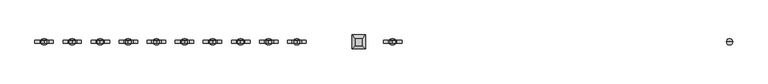
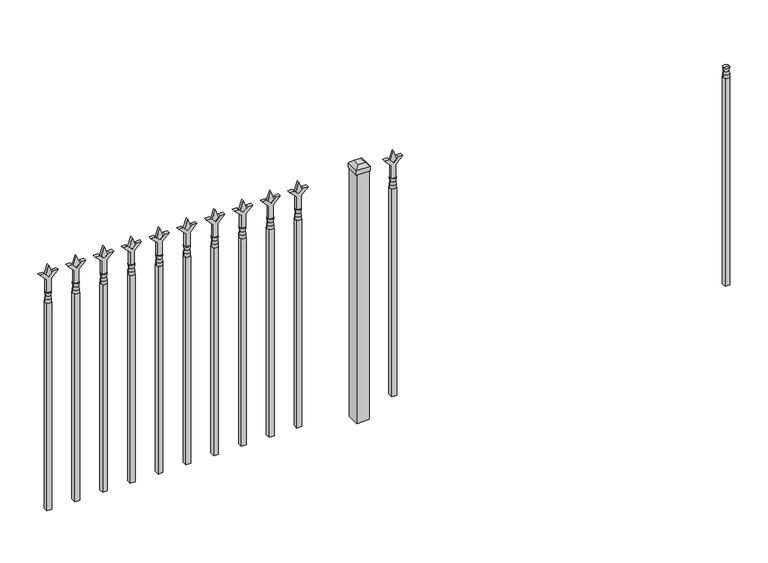
"""IFC4 building model written with IfcOpenShell, lengths in millimetres: railing geometry."""

from ifc_helpers import new_model, si_unit, frame, origin, origin_with_axes, place, context, project, spatial, polyline, circle_curve, outline, extrude, faceted_brep, source, transform, mapped, element, save
from ifc_brep_helpers import plane_surface, cylinder_surface, revolved_surface, advanced_brep


def railing_144b2645(model_context):
    return source(origin(), model_context, "Body", "SolidModel", [
        advanced_brep(
        [(-82699.574337, -635.2570174, 927.1), (-82723.386837, -635.2570174, 927.1), (-82723.386837, -635.2570174, 914.4), (-82699.574337, -635.2570174, 914.4), (-82701.7796688, -635.2570174, 939.6070585), (-82721.1815051, -635.2570174, 939.6070585), (-82699.574337, -635.2570174, 955.675), (-82723.386837, -635.2570174, 955.675), (-82711.480587, -635.2570174, 955.675), (-82711.480587, -635.2570174, 914.4)],
        [
            (0, 1, circle_curve(frame((-82711.480587, -635.2570174, 927.1), z_axis=(0.0, 0.0, -1.0), x_axis=(-1.0, 0.0, 0.0)), 11.90625)),
            (1, 2),
            (2, 3, circle_curve(frame((-82711.480587, -635.2570174, 914.4), z_axis=(0.0, 0.0, 1.0), x_axis=(-1.0, 0.0, 0.0)), 11.90625)),
            (3, 0),
            (1, 0, circle_curve(frame((-82711.480587, -635.2570174, 927.1), z_axis=(0.0, 0.0, -1.0), x_axis=(-1.0, 0.0, 0.0)), 11.90625)),
            (3, 2, circle_curve(frame((-82711.480587, -635.2570174, 914.4), z_axis=(0.0, 0.0, 1.0), x_axis=(-1.0, 0.0, 0.0)), 11.90625)),
            (4, 5, circle_curve(frame((-82711.480587, -635.2570174, 939.6070585), z_axis=(0.0, 0.0, -1.0), x_axis=(-1.0, 0.0, 0.0)), 9.7009181)),
            (5, 1),
            (0, 4),
            (5, 4, circle_curve(frame((-82711.480587, -635.2570174, 939.6070585), z_axis=(0.0, 0.0, -1.0), x_axis=(-1.0, 0.0, 0.0)), 9.7009181)),
            (6, 7, circle_curve(frame((-82711.480587, -635.2570174, 955.675), z_axis=(0.0, 0.0, -1.0), x_axis=(-1.0, 0.0, 0.0)), 11.90625)),
            (7, 5),
            (4, 6),
            (7, 6, circle_curve(frame((-82711.480587, -635.2570174, 955.675), z_axis=(0.0, 0.0, -1.0), x_axis=(-1.0, 0.0, 0.0)), 11.90625)),
            (8, 7),
            (6, 8),
            (2, 9),
            (9, 3),
        ],
        [
            cylinder_surface(frame((-82711.480587, -635.2570174, 914.4), z_axis=(0.0, 0.0, 1.0), x_axis=(-1.0, 0.0, 0.0)), 11.90625),
            revolved_surface(polyline([(-82723.386837, -635.2570174, 927.1), (-82721.1815051, -635.2570174, 939.6070585)]), (-82711.480587, -635.2570174, 914.4), (0.0, 0.0, 1.0)),
            revolved_surface(polyline([(-82721.1815051, -635.2570174, 939.6070585), (-82723.386837, -635.2570174, 955.675)]), (-82711.480587, -635.2570174, 914.4), (0.0, 0.0, 1.0)),
            plane_surface(frame((-82711.480587, -635.2570174, 955.675), z_axis=(0.0, 0.0, 1.0), x_axis=(-1.0, 0.0, 0.0))),
            plane_surface(frame((-82711.480587, -635.2570174, 914.4), z_axis=(0.0, 0.0, -1.0), x_axis=(-1.0, 0.0, 0.0))),
        ],
        [
            (0, [[1, 2, 3, 4]]),
            (0, [[5, -4, 6, -2]]),
            (1, [[7, 8, -1, 9]]),
            (1, [[10, -9, -5, -8]]),
            (2, [[11, 12, -7, 13]]),
            (2, [[14, -13, -10, -12]]),
            (3, [[15, -11, 16]]),
            (3, [[-16, -14, -15]]),
            (4, [[-3, 17, 18]]),
            (4, [[-6, -18, -17]]),
        ],
    ),
        extrude(outline(polyline([(-82721.005587, -625.7320174), (-82701.955587, -625.7320174), (-82701.955587, -644.7820174), (-82721.005587, -644.7820174), (-82721.005587, -625.7320174)])), frame((0.0, 0.0, 50.8), z_axis=(0.0, 0.0, 1.0), x_axis=(1.0, 0.0, 0.0)), (0.0, 0.0, 1.0), 863.6),
        extrude(outline(polyline([(1031.08125, -84010.849337), (1066.8, -84022.755587), (1031.08125, -84034.661837), (1019.175, -84022.755587), (1031.08125, -84010.849337)])), frame((0.0, -640.0195174, 0.0), z_axis=(0.0, 1.0, 0.0), x_axis=(0.0, 0.0, 1.0)), (0.0, 0.0, 1.0), 9.525),
        extrude(outline(polyline([(955.675, -84014.024337), (1009.9457378, -84014.024337), (1037.1355122, -83986.8345625), (1037.1355122, -84004.7950747), (1019.175, -84022.755587), (1037.1355122, -84040.7160992), (1037.1355122, -84058.6766114), (1009.9457378, -84031.486837), (955.675, -84031.486837), (955.675, -84014.024337)])), frame((0.0, -641.6070174, 0.0), z_axis=(0.0, 1.0, 0.0), x_axis=(0.0, 0.0, 1.0)), (0.0, 0.0, 1.0), 12.7),
        advanced_brep(
        [(-84010.849337, -635.2570174, 927.1), (-84034.661837, -635.2570174, 927.1), (-84034.661837, -635.2570174, 914.4), (-84010.849337, -635.2570174, 914.4), (-84013.0546688, -635.2570174, 939.6070585), (-84032.4565051, -635.2570174, 939.6070585), (-84010.849337, -635.2570174, 955.675), (-84034.661837, -635.2570174, 955.675), (-84022.755587, -635.2570174, 955.675), (-84022.755587, -635.2570174, 914.4)],
        [
            (0, 1, circle_curve(frame((-84022.755587, -635.2570174, 927.1), z_axis=(0.0, 0.0, -1.0), x_axis=(-1.0, 0.0, 0.0)), 11.90625)),
            (1, 2),
            (2, 3, circle_curve(frame((-84022.755587, -635.2570174, 914.4), z_axis=(0.0, 0.0, 1.0), x_axis=(-1.0, 0.0, 0.0)), 11.90625)),
            (3, 0),
            (1, 0, circle_curve(frame((-84022.755587, -635.2570174, 927.1), z_axis=(0.0, 0.0, -1.0), x_axis=(-1.0, 0.0, 0.0)), 11.90625)),
            (3, 2, circle_curve(frame((-84022.755587, -635.2570174, 914.4), z_axis=(0.0, 0.0, 1.0), x_axis=(-1.0, 0.0, 0.0)), 11.90625)),
            (4, 5, circle_curve(frame((-84022.755587, -635.2570174, 939.6070585), z_axis=(0.0, 0.0, -1.0), x_axis=(-1.0, 0.0, 0.0)), 9.7009181)),
            (5, 1),
            (0, 4),
            (5, 4, circle_curve(frame((-84022.755587, -635.2570174, 939.6070585), z_axis=(0.0, 0.0, -1.0), x_axis=(-1.0, 0.0, 0.0)), 9.7009181)),
            (6, 7, circle_curve(frame((-84022.755587, -635.2570174, 955.675), z_axis=(0.0, 0.0, -1.0), x_axis=(-1.0, 0.0, 0.0)), 11.90625)),
            (7, 5),
            (4, 6),
            (7, 6, circle_curve(frame((-84022.755587, -635.2570174, 955.675), z_axis=(0.0, 0.0, -1.0), x_axis=(-1.0, 0.0, 0.0)), 11.90625)),
            (8, 7),
            (6, 8),
            (2, 9),
            (9, 3),
        ],
        [
            cylinder_surface(frame((-84022.755587, -635.2570174, 914.4), z_axis=(0.0, 0.0, 1.0), x_axis=(-1.0, 0.0, 0.0)), 11.90625),
            revolved_surface(polyline([(-84034.661837, -635.2570174, 927.1), (-84032.4565051, -635.2570174, 939.6070585)]), (-84022.755587, -635.2570174, 914.4), (0.0, 0.0, 1.0)),
            revolved_surface(polyline([(-84032.4565051, -635.2570174, 939.6070585), (-84034.661837, -635.2570174, 955.675)]), (-84022.755587, -635.2570174, 914.4), (0.0, 0.0, 1.0)),
            plane_surface(frame((-84022.755587, -635.2570174, 955.675), z_axis=(0.0, 0.0, 1.0), x_axis=(-1.0, 0.0, 0.0))),
            plane_surface(frame((-84022.755587, -635.2570174, 914.4), z_axis=(0.0, 0.0, -1.0), x_axis=(-1.0, 0.0, 0.0))),
        ],
        [
            (0, [[1, 2, 3, 4]]),
            (0, [[5, -4, 6, -2]]),
            (1, [[7, 8, -1, 9]]),
            (1, [[10, -9, -5, -8]]),
            (2, [[11, 12, -7, 13]]),
            (2, [[14, -13, -10, -12]]),
            (3, [[15, -11, 16]]),
            (3, [[-16, -14, -15]]),
            (4, [[-3, 17, 18]]),
            (4, [[-6, -18, -17]]),
        ],
    ),
        extrude(outline(polyline([(-84032.280587, -625.7320174), (-84013.230587, -625.7320174), (-84013.230587, -644.7820174), (-84032.280587, -644.7820174), (-84032.280587, -625.7320174)])), frame((0.0, 0.0, 50.8), z_axis=(0.0, 0.0, 1.0), x_axis=(1.0, 0.0, 0.0)), (0.0, 0.0, 1.0), 863.6),
        faceted_brep([(-84181.505587, -608.2695174, 1054.1), (-84181.505587, -608.2695174, 1035.05), (-84181.505587, -662.2445174, 1035.05), (-84181.505587, -662.2445174, 1054.1), (-84168.805587, -620.9695174, 1066.8), (-84168.805587, -649.5445174, 1066.8), (-84127.530587, -662.2445174, 1035.05), (-84127.530587, -662.2445174, 1054.1), (-84140.230587, -649.5445174, 1066.8), (-84127.530587, -608.2695174, 1035.05), (-84127.530587, -608.2695174, 1054.1), (-84140.230587, -620.9695174, 1066.8)], [[[0, 1, 2, 3]], [[4, 0, 3, 5]], [[3, 2, 6, 7]], [[5, 3, 7, 8]], [[7, 6, 9, 10]], [[8, 7, 10, 11]], [[10, 9, 1, 0]], [[11, 10, 0, 4]], [[5, 8, 11, 4]], [[1, 9, 6, 2]]]),
        extrude(outline(polyline([(-84129.118087, -609.8570174), (-84129.118087, -660.6570174), (-84179.918087, -660.6570174), (-84179.918087, -609.8570174), (-84129.118087, -609.8570174)])), origin_with_axes(), (0.0, 0.0, 1.0), 1035.05),
        extrude(outline(polyline([(1031.08125, -84383.6472536), (1066.8, -84395.5535036), (1031.08125, -84407.4597536), (1019.175, -84395.5535036), (1031.08125, -84383.6472536)])), frame((0.0, -640.0195174, 0.0), z_axis=(0.0, 1.0, 0.0), x_axis=(0.0, 0.0, 1.0)), (0.0, 0.0, 1.0), 9.525),
        extrude(outline(polyline([(955.675, -84386.8222536), (1009.9457378, -84386.8222536), (1037.1355122, -84359.6324791), (1037.1355122, -84377.5929914), (1019.175, -84395.5535036), (1037.1355122, -84413.5140159), (1037.1355122, -84431.4745281), (1009.9457378, -84404.2847536), (955.675, -84404.2847536), (955.675, -84386.8222536)])), frame((0.0, -641.6070174, 0.0), z_axis=(0.0, 1.0, 0.0), x_axis=(0.0, 0.0, 1.0)), (0.0, 0.0, 1.0), 12.7),
        advanced_brep(
        [(-84383.6472536, -635.2570174, 927.1), (-84407.4597536, -635.2570174, 927.1), (-84407.4597536, -635.2570174, 914.4), (-84383.6472536, -635.2570174, 914.4), (-84385.8525855, -635.2570174, 939.6070585), (-84405.2544218, -635.2570174, 939.6070585), (-84383.6472536, -635.2570174, 955.675), (-84407.4597536, -635.2570174, 955.675), (-84395.5535036, -635.2570174, 955.675), (-84395.5535036, -635.2570174, 914.4)],
        [
            (0, 1, circle_curve(frame((-84395.5535036, -635.2570174, 927.1), z_axis=(0.0, 0.0, -1.0), x_axis=(-1.0, 0.0, 0.0)), 11.90625)),
            (1, 2),
            (2, 3, circle_curve(frame((-84395.5535036, -635.2570174, 914.4), z_axis=(0.0, 0.0, 1.0), x_axis=(-1.0, 0.0, 0.0)), 11.90625)),
            (3, 0),
            (1, 0, circle_curve(frame((-84395.5535036, -635.2570174, 927.1), z_axis=(0.0, 0.0, -1.0), x_axis=(-1.0, 0.0, 0.0)), 11.90625)),
            (3, 2, circle_curve(frame((-84395.5535036, -635.2570174, 914.4), z_axis=(0.0, 0.0, 1.0), x_axis=(-1.0, 0.0, 0.0)), 11.90625)),
            (4, 5, circle_curve(frame((-84395.5535036, -635.2570174, 939.6070585), z_axis=(0.0, 0.0, -1.0), x_axis=(-1.0, 0.0, 0.0)), 9.7009181)),
            (5, 1),
            (0, 4),
            (5, 4, circle_curve(frame((-84395.5535036, -635.2570174, 939.6070585), z_axis=(0.0, 0.0, -1.0), x_axis=(-1.0, 0.0, 0.0)), 9.7009181)),
            (6, 7, circle_curve(frame((-84395.5535036, -635.2570174, 955.675), z_axis=(0.0, 0.0, -1.0), x_axis=(-1.0, 0.0, 0.0)), 11.90625)),
            (7, 5),
            (4, 6),
            (7, 6, circle_curve(frame((-84395.5535036, -635.2570174, 955.675), z_axis=(0.0, 0.0, -1.0), x_axis=(-1.0, 0.0, 0.0)), 11.90625)),
            (8, 7),
            (6, 8),
            (2, 9),
            (9, 3),
        ],
        [
            cylinder_surface(frame((-84395.5535036, -635.2570174, 914.4), z_axis=(0.0, 0.0, 1.0), x_axis=(-1.0, 0.0, 0.0)), 11.90625),
            revolved_surface(polyline([(-84407.4597536, -635.2570174, 927.1), (-84405.2544218, -635.2570174, 939.6070585)]), (-84395.5535036, -635.2570174, 914.4), (0.0, 0.0, 1.0)),
            revolved_surface(polyline([(-84405.2544218, -635.2570174, 939.6070585), (-84407.4597536, -635.2570174, 955.675)]), (-84395.5535036, -635.2570174, 914.4), (0.0, 0.0, 1.0)),
            plane_surface(frame((-84395.5535036, -635.2570174, 955.675), z_axis=(0.0, 0.0, 1.0), x_axis=(-1.0, 0.0, 0.0))),
            plane_surface(frame((-84395.5535036, -635.2570174, 914.4), z_axis=(0.0, 0.0, -1.0), x_axis=(-1.0, 0.0, 0.0))),
        ],
        [
            (0, [[1, 2, 3, 4]]),
            (0, [[5, -4, 6, -2]]),
            (1, [[7, 8, -1, 9]]),
            (1, [[10, -9, -5, -8]]),
            (2, [[11, 12, -7, 13]]),
            (2, [[14, -13, -10, -12]]),
            (3, [[15, -11, 16]]),
            (3, [[-16, -14, -15]]),
            (4, [[-3, 17, 18]]),
            (4, [[-6, -18, -17]]),
        ],
    ),
        extrude(outline(polyline([(-84405.0785036, -625.7320174), (-84386.0285036, -625.7320174), (-84386.0285036, -644.7820174), (-84405.0785036, -644.7820174), (-84405.0785036, -625.7320174)])), frame((0.0, 0.0, 50.8), z_axis=(0.0, 0.0, 1.0), x_axis=(1.0, 0.0, 0.0)), (0.0, 0.0, 1.0), 863.6),
        extrude(outline(polyline([(1031.08125, -84492.9201703), (1066.8, -84504.8264203), (1031.08125, -84516.7326703), (1019.175, -84504.8264203), (1031.08125, -84492.9201703)])), frame((0.0, -640.0195174, 0.0), z_axis=(0.0, 1.0, 0.0), x_axis=(0.0, 0.0, 1.0)), (0.0, 0.0, 1.0), 9.525),
        extrude(outline(polyline([(955.675, -84496.0951703), (1009.9457378, -84496.0951703), (1037.1355122, -84468.9053958), (1037.1355122, -84486.8659081), (1019.175, -84504.8264203), (1037.1355122, -84522.7869325), (1037.1355122, -84540.7474448), (1009.9457378, -84513.5576703), (955.675, -84513.5576703), (955.675, -84496.0951703)])), frame((0.0, -641.6070174, 0.0), z_axis=(0.0, 1.0, 0.0), x_axis=(0.0, 0.0, 1.0)), (0.0, 0.0, 1.0), 12.7),
        advanced_brep(
        [(-84492.9201703, -635.2570174, 927.1), (-84516.7326703, -635.2570174, 927.1), (-84516.7326703, -635.2570174, 914.4), (-84492.9201703, -635.2570174, 914.4), (-84495.1255022, -635.2570174, 939.6070585), (-84514.5273384, -635.2570174, 939.6070585), (-84492.9201703, -635.2570174, 955.675), (-84516.7326703, -635.2570174, 955.675), (-84504.8264203, -635.2570174, 955.675), (-84504.8264203, -635.2570174, 914.4)],
        [
            (0, 1, circle_curve(frame((-84504.8264203, -635.2570174, 927.1), z_axis=(0.0, 0.0, -1.0), x_axis=(-1.0, 0.0, 0.0)), 11.90625)),
            (1, 2),
            (2, 3, circle_curve(frame((-84504.8264203, -635.2570174, 914.4), z_axis=(0.0, 0.0, 1.0), x_axis=(-1.0, 0.0, 0.0)), 11.90625)),
            (3, 0),
            (1, 0, circle_curve(frame((-84504.8264203, -635.2570174, 927.1), z_axis=(0.0, 0.0, -1.0), x_axis=(-1.0, 0.0, 0.0)), 11.90625)),
            (3, 2, circle_curve(frame((-84504.8264203, -635.2570174, 914.4), z_axis=(0.0, 0.0, 1.0), x_axis=(-1.0, 0.0, 0.0)), 11.90625)),
            (4, 5, circle_curve(frame((-84504.8264203, -635.2570174, 939.6070585), z_axis=(0.0, 0.0, -1.0), x_axis=(-1.0, 0.0, 0.0)), 9.7009181)),
            (5, 1),
            (0, 4),
            (5, 4, circle_curve(frame((-84504.8264203, -635.2570174, 939.6070585), z_axis=(0.0, 0.0, -1.0), x_axis=(-1.0, 0.0, 0.0)), 9.7009181)),
            (6, 7, circle_curve(frame((-84504.8264203, -635.2570174, 955.675), z_axis=(0.0, 0.0, -1.0), x_axis=(-1.0, 0.0, 0.0)), 11.90625)),
            (7, 5),
            (4, 6),
            (7, 6, circle_curve(frame((-84504.8264203, -635.2570174, 955.675), z_axis=(0.0, 0.0, -1.0), x_axis=(-1.0, 0.0, 0.0)), 11.90625)),
            (8, 7),
            (6, 8),
            (2, 9),
            (9, 3),
        ],
        [
            cylinder_surface(frame((-84504.8264203, -635.2570174, 914.4), z_axis=(0.0, 0.0, 1.0), x_axis=(-1.0, 0.0, 0.0)), 11.90625),
            revolved_surface(polyline([(-84516.7326703, -635.2570174, 927.1), (-84514.5273384, -635.2570174, 939.6070585)]), (-84504.8264203, -635.2570174, 914.4), (0.0, 0.0, 1.0)),
            revolved_surface(polyline([(-84514.5273384, -635.2570174, 939.6070585), (-84516.7326703, -635.2570174, 955.675)]), (-84504.8264203, -635.2570174, 914.4), (0.0, 0.0, 1.0)),
            plane_surface(frame((-84504.8264203, -635.2570174, 955.675), z_axis=(0.0, 0.0, 1.0), x_axis=(-1.0, 0.0, 0.0))),
            plane_surface(frame((-84504.8264203, -635.2570174, 914.4), z_axis=(0.0, 0.0, -1.0), x_axis=(-1.0, 0.0, 0.0))),
        ],
        [
            (0, [[1, 2, 3, 4]]),
            (0, [[5, -4, 6, -2]]),
            (1, [[7, 8, -1, 9]]),
            (1, [[10, -9, -5, -8]]),
            (2, [[11, 12, -7, 13]]),
            (2, [[14, -13, -10, -12]]),
            (3, [[15, -11, 16]]),
            (3, [[-16, -14, -15]]),
            (4, [[-3, 17, 18]]),
            (4, [[-6, -18, -17]]),
        ],
    ),
        extrude(outline(polyline([(-84514.3514203, -625.7320174), (-84495.3014203, -625.7320174), (-84495.3014203, -644.7820174), (-84514.3514203, -644.7820174), (-84514.3514203, -625.7320174)])), frame((0.0, 0.0, 50.8), z_axis=(0.0, 0.0, 1.0), x_axis=(1.0, 0.0, 0.0)), (0.0, 0.0, 1.0), 863.6),
        extrude(outline(polyline([(1031.08125, -84602.193087), (1066.8, -84614.099337), (1031.08125, -84626.005587), (1019.175, -84614.099337), (1031.08125, -84602.193087)])), frame((0.0, -640.0195174, 0.0), z_axis=(0.0, 1.0, 0.0), x_axis=(0.0, 0.0, 1.0)), (0.0, 0.0, 1.0), 9.525),
        extrude(outline(polyline([(955.675, -84605.368087), (1009.9457378, -84605.368087), (1037.1355122, -84578.1783125), (1037.1355122, -84596.1388247), (1019.175, -84614.099337), (1037.1355122, -84632.0598492), (1037.1355122, -84650.0203614), (1009.9457378, -84622.830587), (955.675, -84622.830587), (955.675, -84605.368087)])), frame((0.0, -641.6070174, 0.0), z_axis=(0.0, 1.0, 0.0), x_axis=(0.0, 0.0, 1.0)), (0.0, 0.0, 1.0), 12.7),
        advanced_brep(
        [(-84602.193087, -635.2570174, 927.1), (-84626.005587, -635.2570174, 927.1), (-84626.005587, -635.2570174, 914.4), (-84602.193087, -635.2570174, 914.4), (-84604.3984188, -635.2570174, 939.6070585), (-84623.8002551, -635.2570174, 939.6070585), (-84602.193087, -635.2570174, 955.675), (-84626.005587, -635.2570174, 955.675), (-84614.099337, -635.2570174, 955.675), (-84614.099337, -635.2570174, 914.4)],
        [
            (0, 1, circle_curve(frame((-84614.099337, -635.2570174, 927.1), z_axis=(0.0, 0.0, -1.0), x_axis=(-1.0, 0.0, 0.0)), 11.90625)),
            (1, 2),
            (2, 3, circle_curve(frame((-84614.099337, -635.2570174, 914.4), z_axis=(0.0, 0.0, 1.0), x_axis=(-1.0, 0.0, 0.0)), 11.90625)),
            (3, 0),
            (1, 0, circle_curve(frame((-84614.099337, -635.2570174, 927.1), z_axis=(0.0, 0.0, -1.0), x_axis=(-1.0, 0.0, 0.0)), 11.90625)),
            (3, 2, circle_curve(frame((-84614.099337, -635.2570174, 914.4), z_axis=(0.0, 0.0, 1.0), x_axis=(-1.0, 0.0, 0.0)), 11.90625)),
            (4, 5, circle_curve(frame((-84614.099337, -635.2570174, 939.6070585), z_axis=(0.0, 0.0, -1.0), x_axis=(-1.0, 0.0, 0.0)), 9.7009181)),
            (5, 1),
            (0, 4),
            (5, 4, circle_curve(frame((-84614.099337, -635.2570174, 939.6070585), z_axis=(0.0, 0.0, -1.0), x_axis=(-1.0, 0.0, 0.0)), 9.7009181)),
            (6, 7, circle_curve(frame((-84614.099337, -635.2570174, 955.675), z_axis=(0.0, 0.0, -1.0), x_axis=(-1.0, 0.0, 0.0)), 11.90625)),
            (7, 5),
            (4, 6),
            (7, 6, circle_curve(frame((-84614.099337, -635.2570174, 955.675), z_axis=(0.0, 0.0, -1.0), x_axis=(-1.0, 0.0, 0.0)), 11.90625)),
            (8, 7),
            (6, 8),
            (2, 9),
            (9, 3),
        ],
        [
            cylinder_surface(frame((-84614.099337, -635.2570174, 914.4), z_axis=(0.0, 0.0, 1.0), x_axis=(-1.0, 0.0, 0.0)), 11.90625),
            revolved_surface(polyline([(-84626.005587, -635.2570174, 927.1), (-84623.8002551, -635.2570174, 939.6070585)]), (-84614.099337, -635.2570174, 914.4), (0.0, 0.0, 1.0)),
            revolved_surface(polyline([(-84623.8002551, -635.2570174, 939.6070585), (-84626.005587, -635.2570174, 955.675)]), (-84614.099337, -635.2570174, 914.4), (0.0, 0.0, 1.0)),
            plane_surface(frame((-84614.099337, -635.2570174, 955.675), z_axis=(0.0, 0.0, 1.0), x_axis=(-1.0, 0.0, 0.0))),
            plane_surface(frame((-84614.099337, -635.2570174, 914.4), z_axis=(0.0, 0.0, -1.0), x_axis=(-1.0, 0.0, 0.0))),
        ],
        [
            (0, [[1, 2, 3, 4]]),
            (0, [[5, -4, 6, -2]]),
            (1, [[7, 8, -1, 9]]),
            (1, [[10, -9, -5, -8]]),
            (2, [[11, 12, -7, 13]]),
            (2, [[14, -13, -10, -12]]),
            (3, [[15, -11, 16]]),
            (3, [[-16, -14, -15]]),
            (4, [[-3, 17, 18]]),
            (4, [[-6, -18, -17]]),
        ],
    ),
        extrude(outline(polyline([(-84623.624337, -625.7320174), (-84604.574337, -625.7320174), (-84604.574337, -644.7820174), (-84623.624337, -644.7820174), (-84623.624337, -625.7320174)])), frame((0.0, 0.0, 50.8), z_axis=(0.0, 0.0, 1.0), x_axis=(1.0, 0.0, 0.0)), (0.0, 0.0, 1.0), 863.6),
        extrude(outline(polyline([(1031.08125, -84711.4660036), (1066.8, -84723.3722536), (1031.08125, -84735.2785036), (1019.175, -84723.3722536), (1031.08125, -84711.4660036)])), frame((0.0, -640.0195174, 0.0), z_axis=(0.0, 1.0, 0.0), x_axis=(0.0, 0.0, 1.0)), (0.0, 0.0, 1.0), 9.525),
        extrude(outline(polyline([(955.675, -84714.6410036), (1009.9457378, -84714.6410036), (1037.1355122, -84687.4512291), (1037.1355122, -84705.4117414), (1019.175, -84723.3722536), (1037.1355122, -84741.3327659), (1037.1355122, -84759.2932781), (1009.9457378, -84732.1035036), (955.675, -84732.1035036), (955.675, -84714.6410036)])), frame((0.0, -641.6070174, 0.0), z_axis=(0.0, 1.0, 0.0), x_axis=(0.0, 0.0, 1.0)), (0.0, 0.0, 1.0), 12.7),
        advanced_brep(
        [(-84711.4660036, -635.2570174, 927.1), (-84735.2785036, -635.2570174, 927.1), (-84735.2785036, -635.2570174, 914.4), (-84711.4660036, -635.2570174, 914.4), (-84713.6713355, -635.2570174, 939.6070585), (-84733.0731718, -635.2570174, 939.6070585), (-84711.4660036, -635.2570174, 955.675), (-84735.2785036, -635.2570174, 955.675), (-84723.3722536, -635.2570174, 955.675), (-84723.3722536, -635.2570174, 914.4)],
        [
            (0, 1, circle_curve(frame((-84723.3722536, -635.2570174, 927.1), z_axis=(0.0, 0.0, -1.0), x_axis=(-1.0, 0.0, 0.0)), 11.90625)),
            (1, 2),
            (2, 3, circle_curve(frame((-84723.3722536, -635.2570174, 914.4), z_axis=(0.0, 0.0, 1.0), x_axis=(-1.0, 0.0, 0.0)), 11.90625)),
            (3, 0),
            (1, 0, circle_curve(frame((-84723.3722536, -635.2570174, 927.1), z_axis=(0.0, 0.0, -1.0), x_axis=(-1.0, 0.0, 0.0)), 11.90625)),
            (3, 2, circle_curve(frame((-84723.3722536, -635.2570174, 914.4), z_axis=(0.0, 0.0, 1.0), x_axis=(-1.0, 0.0, 0.0)), 11.90625)),
            (4, 5, circle_curve(frame((-84723.3722536, -635.2570174, 939.6070585), z_axis=(0.0, 0.0, -1.0), x_axis=(-1.0, 0.0, 0.0)), 9.7009181)),
            (5, 1),
            (0, 4),
            (5, 4, circle_curve(frame((-84723.3722536, -635.2570174, 939.6070585), z_axis=(0.0, 0.0, -1.0), x_axis=(-1.0, 0.0, 0.0)), 9.7009181)),
            (6, 7, circle_curve(frame((-84723.3722536, -635.2570174, 955.675), z_axis=(0.0, 0.0, -1.0), x_axis=(-1.0, 0.0, 0.0)), 11.90625)),
            (7, 5),
            (4, 6),
            (7, 6, circle_curve(frame((-84723.3722536, -635.2570174, 955.675), z_axis=(0.0, 0.0, -1.0), x_axis=(-1.0, 0.0, 0.0)), 11.90625)),
            (8, 7),
            (6, 8),
            (2, 9),
            (9, 3),
        ],
        [
            cylinder_surface(frame((-84723.3722536, -635.2570174, 914.4), z_axis=(0.0, 0.0, 1.0), x_axis=(-1.0, 0.0, 0.0)), 11.90625),
            revolved_surface(polyline([(-84735.2785036, -635.2570174, 927.1), (-84733.0731718, -635.2570174, 939.6070585)]), (-84723.3722536, -635.2570174, 914.4), (0.0, 0.0, 1.0)),
            revolved_surface(polyline([(-84733.0731718, -635.2570174, 939.6070585), (-84735.2785036, -635.2570174, 955.675)]), (-84723.3722536, -635.2570174, 914.4), (0.0, 0.0, 1.0)),
            plane_surface(frame((-84723.3722536, -635.2570174, 955.675), z_axis=(0.0, 0.0, 1.0), x_axis=(-1.0, 0.0, 0.0))),
            plane_surface(frame((-84723.3722536, -635.2570174, 914.4), z_axis=(0.0, 0.0, -1.0), x_axis=(-1.0, 0.0, 0.0))),
        ],
        [
            (0, [[1, 2, 3, 4]]),
            (0, [[5, -4, 6, -2]]),
            (1, [[7, 8, -1, 9]]),
            (1, [[10, -9, -5, -8]]),
            (2, [[11, 12, -7, 13]]),
            (2, [[14, -13, -10, -12]]),
            (3, [[15, -11, 16]]),
            (3, [[-16, -14, -15]]),
            (4, [[-3, 17, 18]]),
            (4, [[-6, -18, -17]]),
        ],
    ),
        extrude(outline(polyline([(-84732.8972536, -625.7320174), (-84713.8472536, -625.7320174), (-84713.8472536, -644.7820174), (-84732.8972536, -644.7820174), (-84732.8972536, -625.7320174)])), frame((0.0, 0.0, 50.8), z_axis=(0.0, 0.0, 1.0), x_axis=(1.0, 0.0, 0.0)), (0.0, 0.0, 1.0), 863.6),
        extrude(outline(polyline([(1031.08125, -84820.7389203), (1066.8, -84832.6451703), (1031.08125, -84844.5514203), (1019.175, -84832.6451703), (1031.08125, -84820.7389203)])), frame((0.0, -640.0195174, 0.0), z_axis=(0.0, 1.0, 0.0), x_axis=(0.0, 0.0, 1.0)), (0.0, 0.0, 1.0), 9.525),
        extrude(outline(polyline([(955.675, -84823.9139203), (1009.9457378, -84823.9139203), (1037.1355122, -84796.7241458), (1037.1355122, -84814.6846581), (1019.175, -84832.6451703), (1037.1355122, -84850.6056825), (1037.1355122, -84868.5661948), (1009.9457378, -84841.3764203), (955.675, -84841.3764203), (955.675, -84823.9139203)])), frame((0.0, -641.6070174, 0.0), z_axis=(0.0, 1.0, 0.0), x_axis=(0.0, 0.0, 1.0)), (0.0, 0.0, 1.0), 12.7),
        advanced_brep(
        [(-84820.7389203, -635.2570174, 927.1), (-84844.5514203, -635.2570174, 927.1), (-84844.5514203, -635.2570174, 914.4), (-84820.7389203, -635.2570174, 914.4), (-84822.9442522, -635.2570174, 939.6070585), (-84842.3460884, -635.2570174, 939.6070585), (-84820.7389203, -635.2570174, 955.675), (-84844.5514203, -635.2570174, 955.675), (-84832.6451703, -635.2570174, 955.675), (-84832.6451703, -635.2570174, 914.4)],
        [
            (0, 1, circle_curve(frame((-84832.6451703, -635.2570174, 927.1), z_axis=(0.0, 0.0, -1.0), x_axis=(-1.0, 0.0, 0.0)), 11.90625)),
            (1, 2),
            (2, 3, circle_curve(frame((-84832.6451703, -635.2570174, 914.4), z_axis=(0.0, 0.0, 1.0), x_axis=(-1.0, 0.0, 0.0)), 11.90625)),
            (3, 0),
            (1, 0, circle_curve(frame((-84832.6451703, -635.2570174, 927.1), z_axis=(0.0, 0.0, -1.0), x_axis=(-1.0, 0.0, 0.0)), 11.90625)),
            (3, 2, circle_curve(frame((-84832.6451703, -635.2570174, 914.4), z_axis=(0.0, 0.0, 1.0), x_axis=(-1.0, 0.0, 0.0)), 11.90625)),
            (4, 5, circle_curve(frame((-84832.6451703, -635.2570174, 939.6070585), z_axis=(0.0, 0.0, -1.0), x_axis=(-1.0, 0.0, 0.0)), 9.7009181)),
            (5, 1),
            (0, 4),
            (5, 4, circle_curve(frame((-84832.6451703, -635.2570174, 939.6070585), z_axis=(0.0, 0.0, -1.0), x_axis=(-1.0, 0.0, 0.0)), 9.7009181)),
            (6, 7, circle_curve(frame((-84832.6451703, -635.2570174, 955.675), z_axis=(0.0, 0.0, -1.0), x_axis=(-1.0, 0.0, 0.0)), 11.90625)),
            (7, 5),
            (4, 6),
            (7, 6, circle_curve(frame((-84832.6451703, -635.2570174, 955.675), z_axis=(0.0, 0.0, -1.0), x_axis=(-1.0, 0.0, 0.0)), 11.90625)),
            (8, 7),
            (6, 8),
            (2, 9),
            (9, 3),
        ],
        [
            cylinder_surface(frame((-84832.6451703, -635.2570174, 914.4), z_axis=(0.0, 0.0, 1.0), x_axis=(-1.0, 0.0, 0.0)), 11.90625),
            revolved_surface(polyline([(-84844.5514203, -635.2570174, 927.1), (-84842.3460884, -635.2570174, 939.6070585)]), (-84832.6451703, -635.2570174, 914.4), (0.0, 0.0, 1.0)),
            revolved_surface(polyline([(-84842.3460884, -635.2570174, 939.6070585), (-84844.5514203, -635.2570174, 955.675)]), (-84832.6451703, -635.2570174, 914.4), (0.0, 0.0, 1.0)),
            plane_surface(frame((-84832.6451703, -635.2570174, 955.675), z_axis=(0.0, 0.0, 1.0), x_axis=(-1.0, 0.0, 0.0))),
            plane_surface(frame((-84832.6451703, -635.2570174, 914.4), z_axis=(0.0, 0.0, -1.0), x_axis=(-1.0, 0.0, 0.0))),
        ],
        [
            (0, [[1, 2, 3, 4]]),
            (0, [[5, -4, 6, -2]]),
            (1, [[7, 8, -1, 9]]),
            (1, [[10, -9, -5, -8]]),
            (2, [[11, 12, -7, 13]]),
            (2, [[14, -13, -10, -12]]),
            (3, [[15, -11, 16]]),
            (3, [[-16, -14, -15]]),
            (4, [[-3, 17, 18]]),
            (4, [[-6, -18, -17]]),
        ],
    ),
        extrude(outline(polyline([(-84842.1701703, -625.7320174), (-84823.1201703, -625.7320174), (-84823.1201703, -644.7820174), (-84842.1701703, -644.7820174), (-84842.1701703, -625.7320174)])), frame((0.0, 0.0, 50.8), z_axis=(0.0, 0.0, 1.0), x_axis=(1.0, 0.0, 0.0)), (0.0, 0.0, 1.0), 863.6),
        extrude(outline(polyline([(1031.08125, -84930.011837), (1066.8, -84941.918087), (1031.08125, -84953.824337), (1019.175, -84941.918087), (1031.08125, -84930.011837)])), frame((0.0, -640.0195174, 0.0), z_axis=(0.0, 1.0, 0.0), x_axis=(0.0, 0.0, 1.0)), (0.0, 0.0, 1.0), 9.525),
        extrude(outline(polyline([(955.675, -84933.186837), (1009.9457378, -84933.186837), (1037.1355122, -84905.9970625), (1037.1355122, -84923.9575747), (1019.175, -84941.918087), (1037.1355122, -84959.8785992), (1037.1355122, -84977.8391114), (1009.9457378, -84950.649337), (955.675, -84950.649337), (955.675, -84933.186837)])), frame((0.0, -641.6070174, 0.0), z_axis=(0.0, 1.0, 0.0), x_axis=(0.0, 0.0, 1.0)), (0.0, 0.0, 1.0), 12.7),
        advanced_brep(
        [(-84930.011837, -635.2570174, 927.1), (-84953.824337, -635.2570174, 927.1), (-84953.824337, -635.2570174, 914.4), (-84930.011837, -635.2570174, 914.4), (-84932.2171688, -635.2570174, 939.6070585), (-84951.6190051, -635.2570174, 939.6070585), (-84930.011837, -635.2570174, 955.675), (-84953.824337, -635.2570174, 955.675), (-84941.918087, -635.2570174, 955.675), (-84941.918087, -635.2570174, 914.4)],
        [
            (0, 1, circle_curve(frame((-84941.918087, -635.2570174, 927.1), z_axis=(0.0, 0.0, -1.0), x_axis=(-1.0, 0.0, 0.0)), 11.90625)),
            (1, 2),
            (2, 3, circle_curve(frame((-84941.918087, -635.2570174, 914.4), z_axis=(0.0, 0.0, 1.0), x_axis=(-1.0, 0.0, 0.0)), 11.90625)),
            (3, 0),
            (1, 0, circle_curve(frame((-84941.918087, -635.2570174, 927.1), z_axis=(0.0, 0.0, -1.0), x_axis=(-1.0, 0.0, 0.0)), 11.90625)),
            (3, 2, circle_curve(frame((-84941.918087, -635.2570174, 914.4), z_axis=(0.0, 0.0, 1.0), x_axis=(-1.0, 0.0, 0.0)), 11.90625)),
            (4, 5, circle_curve(frame((-84941.918087, -635.2570174, 939.6070585), z_axis=(0.0, 0.0, -1.0), x_axis=(-1.0, 0.0, 0.0)), 9.7009181)),
            (5, 1),
            (0, 4),
            (5, 4, circle_curve(frame((-84941.918087, -635.2570174, 939.6070585), z_axis=(0.0, 0.0, -1.0), x_axis=(-1.0, 0.0, 0.0)), 9.7009181)),
            (6, 7, circle_curve(frame((-84941.918087, -635.2570174, 955.675), z_axis=(0.0, 0.0, -1.0), x_axis=(-1.0, 0.0, 0.0)), 11.90625)),
            (7, 5),
            (4, 6),
            (7, 6, circle_curve(frame((-84941.918087, -635.2570174, 955.675), z_axis=(0.0, 0.0, -1.0), x_axis=(-1.0, 0.0, 0.0)), 11.90625)),
            (8, 7),
            (6, 8),
            (2, 9),
            (9, 3),
        ],
        [
            cylinder_surface(frame((-84941.918087, -635.2570174, 914.4), z_axis=(0.0, 0.0, 1.0), x_axis=(-1.0, 0.0, 0.0)), 11.90625),
            revolved_surface(polyline([(-84953.824337, -635.2570174, 927.1), (-84951.6190051, -635.2570174, 939.6070585)]), (-84941.918087, -635.2570174, 914.4), (0.0, 0.0, 1.0)),
            revolved_surface(polyline([(-84951.6190051, -635.2570174, 939.6070585), (-84953.824337, -635.2570174, 955.675)]), (-84941.918087, -635.2570174, 914.4), (0.0, 0.0, 1.0)),
            plane_surface(frame((-84941.918087, -635.2570174, 955.675), z_axis=(0.0, 0.0, 1.0), x_axis=(-1.0, 0.0, 0.0))),
            plane_surface(frame((-84941.918087, -635.2570174, 914.4), z_axis=(0.0, 0.0, -1.0), x_axis=(-1.0, 0.0, 0.0))),
        ],
        [
            (0, [[1, 2, 3, 4]]),
            (0, [[5, -4, 6, -2]]),
            (1, [[7, 8, -1, 9]]),
            (1, [[10, -9, -5, -8]]),
            (2, [[11, 12, -7, 13]]),
            (2, [[14, -13, -10, -12]]),
            (3, [[15, -11, 16]]),
            (3, [[-16, -14, -15]]),
            (4, [[-3, 17, 18]]),
            (4, [[-6, -18, -17]]),
        ],
    ),
        extrude(outline(polyline([(-84951.443087, -625.7320174), (-84932.393087, -625.7320174), (-84932.393087, -644.7820174), (-84951.443087, -644.7820174), (-84951.443087, -625.7320174)])), frame((0.0, 0.0, 50.8), z_axis=(0.0, 0.0, 1.0), x_axis=(1.0, 0.0, 0.0)), (0.0, 0.0, 1.0), 863.6),
        extrude(outline(polyline([(1031.08125, -85039.2847536), (1066.8, -85051.1910036), (1031.08125, -85063.0972536), (1019.175, -85051.1910036), (1031.08125, -85039.2847536)])), frame((0.0, -640.0195174, 0.0), z_axis=(0.0, 1.0, 0.0), x_axis=(0.0, 0.0, 1.0)), (0.0, 0.0, 1.0), 9.525),
        extrude(outline(polyline([(955.675, -85042.4597536), (1009.9457378, -85042.4597536), (1037.1355122, -85015.2699791), (1037.1355122, -85033.2304914), (1019.175, -85051.1910036), (1037.1355122, -85069.1515159), (1037.1355122, -85087.1120281), (1009.9457378, -85059.9222536), (955.675, -85059.9222536), (955.675, -85042.4597536)])), frame((0.0, -641.6070174, 0.0), z_axis=(0.0, 1.0, 0.0), x_axis=(0.0, 0.0, 1.0)), (0.0, 0.0, 1.0), 12.7),
        advanced_brep(
        [(-85039.2847536, -635.2570174, 927.1), (-85063.0972536, -635.2570174, 927.1), (-85063.0972536, -635.2570174, 914.4), (-85039.2847536, -635.2570174, 914.4), (-85041.4900855, -635.2570174, 939.6070585), (-85060.8919218, -635.2570174, 939.6070585), (-85039.2847536, -635.2570174, 955.675), (-85063.0972536, -635.2570174, 955.675), (-85051.1910036, -635.2570174, 955.675), (-85051.1910036, -635.2570174, 914.4)],
        [
            (0, 1, circle_curve(frame((-85051.1910036, -635.2570174, 927.1), z_axis=(0.0, 0.0, -1.0), x_axis=(-1.0, 0.0, 0.0)), 11.90625)),
            (1, 2),
            (2, 3, circle_curve(frame((-85051.1910036, -635.2570174, 914.4), z_axis=(0.0, 0.0, 1.0), x_axis=(-1.0, 0.0, 0.0)), 11.90625)),
            (3, 0),
            (1, 0, circle_curve(frame((-85051.1910036, -635.2570174, 927.1), z_axis=(0.0, 0.0, -1.0), x_axis=(-1.0, 0.0, 0.0)), 11.90625)),
            (3, 2, circle_curve(frame((-85051.1910036, -635.2570174, 914.4), z_axis=(0.0, 0.0, 1.0), x_axis=(-1.0, 0.0, 0.0)), 11.90625)),
            (4, 5, circle_curve(frame((-85051.1910036, -635.2570174, 939.6070585), z_axis=(0.0, 0.0, -1.0), x_axis=(-1.0, 0.0, 0.0)), 9.7009181)),
            (5, 1),
            (0, 4),
            (5, 4, circle_curve(frame((-85051.1910036, -635.2570174, 939.6070585), z_axis=(0.0, 0.0, -1.0), x_axis=(-1.0, 0.0, 0.0)), 9.7009181)),
            (6, 7, circle_curve(frame((-85051.1910036, -635.2570174, 955.675), z_axis=(0.0, 0.0, -1.0), x_axis=(-1.0, 0.0, 0.0)), 11.90625)),
            (7, 5),
            (4, 6),
            (7, 6, circle_curve(frame((-85051.1910036, -635.2570174, 955.675), z_axis=(0.0, 0.0, -1.0), x_axis=(-1.0, 0.0, 0.0)), 11.90625)),
            (8, 7),
            (6, 8),
            (2, 9),
            (9, 3),
        ],
        [
            cylinder_surface(frame((-85051.1910036, -635.2570174, 914.4), z_axis=(0.0, 0.0, 1.0), x_axis=(-1.0, 0.0, 0.0)), 11.90625),
            revolved_surface(polyline([(-85063.0972536, -635.2570174, 927.1), (-85060.8919218, -635.2570174, 939.6070585)]), (-85051.1910036, -635.2570174, 914.4), (0.0, 0.0, 1.0)),
            revolved_surface(polyline([(-85060.8919218, -635.2570174, 939.6070585), (-85063.0972536, -635.2570174, 955.675)]), (-85051.1910036, -635.2570174, 914.4), (0.0, 0.0, 1.0)),
            plane_surface(frame((-85051.1910036, -635.2570174, 955.675), z_axis=(0.0, 0.0, 1.0), x_axis=(-1.0, 0.0, 0.0))),
            plane_surface(frame((-85051.1910036, -635.2570174, 914.4), z_axis=(0.0, 0.0, -1.0), x_axis=(-1.0, 0.0, 0.0))),
        ],
        [
            (0, [[1, 2, 3, 4]]),
            (0, [[5, -4, 6, -2]]),
            (1, [[7, 8, -1, 9]]),
            (1, [[10, -9, -5, -8]]),
            (2, [[11, 12, -7, 13]]),
            (2, [[14, -13, -10, -12]]),
            (3, [[15, -11, 16]]),
            (3, [[-16, -14, -15]]),
            (4, [[-3, 17, 18]]),
            (4, [[-6, -18, -17]]),
        ],
    ),
        extrude(outline(polyline([(-85060.7160036, -625.7320174), (-85041.6660036, -625.7320174), (-85041.6660036, -644.7820174), (-85060.7160036, -644.7820174), (-85060.7160036, -625.7320174)])), frame((0.0, 0.0, 50.8), z_axis=(0.0, 0.0, 1.0), x_axis=(1.0, 0.0, 0.0)), (0.0, 0.0, 1.0), 863.6),
        extrude(outline(polyline([(1031.08125, -85148.5576703), (1066.8, -85160.4639203), (1031.08125, -85172.3701703), (1019.175, -85160.4639203), (1031.08125, -85148.5576703)])), frame((0.0, -640.0195174, 0.0), z_axis=(0.0, 1.0, 0.0), x_axis=(0.0, 0.0, 1.0)), (0.0, 0.0, 1.0), 9.525),
        extrude(outline(polyline([(955.675, -85151.7326703), (1009.9457378, -85151.7326703), (1037.1355122, -85124.5428958), (1037.1355122, -85142.5034081), (1019.175, -85160.4639203), (1037.1355122, -85178.4244325), (1037.1355122, -85196.3849448), (1009.9457378, -85169.1951703), (955.675, -85169.1951703), (955.675, -85151.7326703)])), frame((0.0, -641.6070174, 0.0), z_axis=(0.0, 1.0, 0.0), x_axis=(0.0, 0.0, 1.0)), (0.0, 0.0, 1.0), 12.7),
        advanced_brep(
        [(-85148.5576703, -635.2570174, 927.1), (-85172.3701703, -635.2570174, 927.1), (-85172.3701703, -635.2570174, 914.4), (-85148.5576703, -635.2570174, 914.4), (-85150.7630022, -635.2570174, 939.6070585), (-85170.1648384, -635.2570174, 939.6070585), (-85148.5576703, -635.2570174, 955.675), (-85172.3701703, -635.2570174, 955.675), (-85160.4639203, -635.2570174, 955.675), (-85160.4639203, -635.2570174, 914.4)],
        [
            (0, 1, circle_curve(frame((-85160.4639203, -635.2570174, 927.1), z_axis=(0.0, 0.0, -1.0), x_axis=(-1.0, 0.0, 0.0)), 11.90625)),
            (1, 2),
            (2, 3, circle_curve(frame((-85160.4639203, -635.2570174, 914.4), z_axis=(0.0, 0.0, 1.0), x_axis=(-1.0, 0.0, 0.0)), 11.90625)),
            (3, 0),
            (1, 0, circle_curve(frame((-85160.4639203, -635.2570174, 927.1), z_axis=(0.0, 0.0, -1.0), x_axis=(-1.0, 0.0, 0.0)), 11.90625)),
            (3, 2, circle_curve(frame((-85160.4639203, -635.2570174, 914.4), z_axis=(0.0, 0.0, 1.0), x_axis=(-1.0, 0.0, 0.0)), 11.90625)),
            (4, 5, circle_curve(frame((-85160.4639203, -635.2570174, 939.6070585), z_axis=(0.0, 0.0, -1.0), x_axis=(-1.0, 0.0, 0.0)), 9.7009181)),
            (5, 1),
            (0, 4),
            (5, 4, circle_curve(frame((-85160.4639203, -635.2570174, 939.6070585), z_axis=(0.0, 0.0, -1.0), x_axis=(-1.0, 0.0, 0.0)), 9.7009181)),
            (6, 7, circle_curve(frame((-85160.4639203, -635.2570174, 955.675), z_axis=(0.0, 0.0, -1.0), x_axis=(-1.0, 0.0, 0.0)), 11.90625)),
            (7, 5),
            (4, 6),
            (7, 6, circle_curve(frame((-85160.4639203, -635.2570174, 955.675), z_axis=(0.0, 0.0, -1.0), x_axis=(-1.0, 0.0, 0.0)), 11.90625)),
            (8, 7),
            (6, 8),
            (2, 9),
            (9, 3),
        ],
        [
            cylinder_surface(frame((-85160.4639203, -635.2570174, 914.4), z_axis=(0.0, 0.0, 1.0), x_axis=(-1.0, 0.0, 0.0)), 11.90625),
            revolved_surface(polyline([(-85172.3701703, -635.2570174, 927.1), (-85170.1648384, -635.2570174, 939.6070585)]), (-85160.4639203, -635.2570174, 914.4), (0.0, 0.0, 1.0)),
            revolved_surface(polyline([(-85170.1648384, -635.2570174, 939.6070585), (-85172.3701703, -635.2570174, 955.675)]), (-85160.4639203, -635.2570174, 914.4), (0.0, 0.0, 1.0)),
            plane_surface(frame((-85160.4639203, -635.2570174, 955.675), z_axis=(0.0, 0.0, 1.0), x_axis=(-1.0, 0.0, 0.0))),
            plane_surface(frame((-85160.4639203, -635.2570174, 914.4), z_axis=(0.0, 0.0, -1.0), x_axis=(-1.0, 0.0, 0.0))),
        ],
        [
            (0, [[1, 2, 3, 4]]),
            (0, [[5, -4, 6, -2]]),
            (1, [[7, 8, -1, 9]]),
            (1, [[10, -9, -5, -8]]),
            (2, [[11, 12, -7, 13]]),
            (2, [[14, -13, -10, -12]]),
            (3, [[15, -11, 16]]),
            (3, [[-16, -14, -15]]),
            (4, [[-3, 17, 18]]),
            (4, [[-6, -18, -17]]),
        ],
    ),
        extrude(outline(polyline([(-85169.9889203, -625.7320174), (-85150.9389203, -625.7320174), (-85150.9389203, -644.7820174), (-85169.9889203, -644.7820174), (-85169.9889203, -625.7320174)])), frame((0.0, 0.0, 50.8), z_axis=(0.0, 0.0, 1.0), x_axis=(1.0, 0.0, 0.0)), (0.0, 0.0, 1.0), 863.6),
        extrude(outline(polyline([(1031.08125, -85257.830587), (1066.8, -85269.736837), (1031.08125, -85281.643087), (1019.175, -85269.736837), (1031.08125, -85257.830587)])), frame((0.0, -640.0195174, 0.0), z_axis=(0.0, 1.0, 0.0), x_axis=(0.0, 0.0, 1.0)), (0.0, 0.0, 1.0), 9.525),
        extrude(outline(polyline([(955.675, -85261.005587), (1009.9457378, -85261.005587), (1037.1355122, -85233.8158125), (1037.1355122, -85251.7763247), (1019.175, -85269.736837), (1037.1355122, -85287.6973492), (1037.1355122, -85305.6578614), (1009.9457378, -85278.468087), (955.675, -85278.468087), (955.675, -85261.005587)])), frame((0.0, -641.6070174, 0.0), z_axis=(0.0, 1.0, 0.0), x_axis=(0.0, 0.0, 1.0)), (0.0, 0.0, 1.0), 12.7),
        advanced_brep(
        [(-85257.830587, -635.2570174, 927.1), (-85281.643087, -635.2570174, 927.1), (-85281.643087, -635.2570174, 914.4), (-85257.830587, -635.2570174, 914.4), (-85260.0359188, -635.2570174, 939.6070585), (-85279.4377551, -635.2570174, 939.6070585), (-85257.830587, -635.2570174, 955.675), (-85281.643087, -635.2570174, 955.675), (-85269.736837, -635.2570174, 955.675), (-85269.736837, -635.2570174, 914.4)],
        [
            (0, 1, circle_curve(frame((-85269.736837, -635.2570174, 927.1), z_axis=(0.0, 0.0, -1.0), x_axis=(-1.0, 0.0, 0.0)), 11.90625)),
            (1, 2),
            (2, 3, circle_curve(frame((-85269.736837, -635.2570174, 914.4), z_axis=(0.0, 0.0, 1.0), x_axis=(-1.0, 0.0, 0.0)), 11.90625)),
            (3, 0),
            (1, 0, circle_curve(frame((-85269.736837, -635.2570174, 927.1), z_axis=(0.0, 0.0, -1.0), x_axis=(-1.0, 0.0, 0.0)), 11.90625)),
            (3, 2, circle_curve(frame((-85269.736837, -635.2570174, 914.4), z_axis=(0.0, 0.0, 1.0), x_axis=(-1.0, 0.0, 0.0)), 11.90625)),
            (4, 5, circle_curve(frame((-85269.736837, -635.2570174, 939.6070585), z_axis=(0.0, 0.0, -1.0), x_axis=(-1.0, 0.0, 0.0)), 9.7009181)),
            (5, 1),
            (0, 4),
            (5, 4, circle_curve(frame((-85269.736837, -635.2570174, 939.6070585), z_axis=(0.0, 0.0, -1.0), x_axis=(-1.0, 0.0, 0.0)), 9.7009181)),
            (6, 7, circle_curve(frame((-85269.736837, -635.2570174, 955.675), z_axis=(0.0, 0.0, -1.0), x_axis=(-1.0, 0.0, 0.0)), 11.90625)),
            (7, 5),
            (4, 6),
            (7, 6, circle_curve(frame((-85269.736837, -635.2570174, 955.675), z_axis=(0.0, 0.0, -1.0), x_axis=(-1.0, 0.0, 0.0)), 11.90625)),
            (8, 7),
            (6, 8),
            (2, 9),
            (9, 3),
        ],
        [
            cylinder_surface(frame((-85269.736837, -635.2570174, 914.4), z_axis=(0.0, 0.0, 1.0), x_axis=(-1.0, 0.0, 0.0)), 11.90625),
            revolved_surface(polyline([(-85281.643087, -635.2570174, 927.1), (-85279.4377551, -635.2570174, 939.6070585)]), (-85269.736837, -635.2570174, 914.4), (0.0, 0.0, 1.0)),
            revolved_surface(polyline([(-85279.4377551, -635.2570174, 939.6070585), (-85281.643087, -635.2570174, 955.675)]), (-85269.736837, -635.2570174, 914.4), (0.0, 0.0, 1.0)),
            plane_surface(frame((-85269.736837, -635.2570174, 955.675), z_axis=(0.0, 0.0, 1.0), x_axis=(-1.0, 0.0, 0.0))),
            plane_surface(frame((-85269.736837, -635.2570174, 914.4), z_axis=(0.0, 0.0, -1.0), x_axis=(-1.0, 0.0, 0.0))),
        ],
        [
            (0, [[1, 2, 3, 4]]),
            (0, [[5, -4, 6, -2]]),
            (1, [[7, 8, -1, 9]]),
            (1, [[10, -9, -5, -8]]),
            (2, [[11, 12, -7, 13]]),
            (2, [[14, -13, -10, -12]]),
            (3, [[15, -11, 16]]),
            (3, [[-16, -14, -15]]),
            (4, [[-3, 17, 18]]),
            (4, [[-6, -18, -17]]),
        ],
    ),
        extrude(outline(polyline([(-85279.261837, -625.7320174), (-85260.211837, -625.7320174), (-85260.211837, -644.7820174), (-85279.261837, -644.7820174), (-85279.261837, -625.7320174)])), frame((0.0, 0.0, 50.8), z_axis=(0.0, 0.0, 1.0), x_axis=(1.0, 0.0, 0.0)), (0.0, 0.0, 1.0), 863.6),
        extrude(outline(polyline([(1031.08125, -85367.1035036), (1066.8, -85379.0097536), (1031.08125, -85390.9160036), (1019.175, -85379.0097536), (1031.08125, -85367.1035036)])), frame((0.0, -640.0195174, 0.0), z_axis=(0.0, 1.0, 0.0), x_axis=(0.0, 0.0, 1.0)), (0.0, 0.0, 1.0), 9.525),
        extrude(outline(polyline([(955.675, -85370.2785036), (1009.9457378, -85370.2785036), (1037.1355122, -85343.0887291), (1037.1355122, -85361.0492414), (1019.175, -85379.0097536), (1037.1355122, -85396.9702659), (1037.1355122, -85414.9307781), (1009.9457378, -85387.7410036), (955.675, -85387.7410036), (955.675, -85370.2785036)])), frame((0.0, -641.6070174, 0.0), z_axis=(0.0, 1.0, 0.0), x_axis=(0.0, 0.0, 1.0)), (0.0, 0.0, 1.0), 12.7),
        advanced_brep(
        [(-85367.1035036, -635.2570174, 927.1), (-85390.9160036, -635.2570174, 927.1), (-85390.9160036, -635.2570174, 914.4), (-85367.1035036, -635.2570174, 914.4), (-85369.3088355, -635.2570174, 939.6070585), (-85388.7106718, -635.2570174, 939.6070585), (-85367.1035036, -635.2570174, 955.675), (-85390.9160036, -635.2570174, 955.675), (-85379.0097536, -635.2570174, 955.675), (-85379.0097536, -635.2570174, 914.4)],
        [
            (0, 1, circle_curve(frame((-85379.0097536, -635.2570174, 927.1), z_axis=(0.0, 0.0, -1.0), x_axis=(-1.0, 0.0, 0.0)), 11.90625)),
            (1, 2),
            (2, 3, circle_curve(frame((-85379.0097536, -635.2570174, 914.4), z_axis=(0.0, 0.0, 1.0), x_axis=(-1.0, 0.0, 0.0)), 11.90625)),
            (3, 0),
            (1, 0, circle_curve(frame((-85379.0097536, -635.2570174, 927.1), z_axis=(0.0, 0.0, -1.0), x_axis=(-1.0, 0.0, 0.0)), 11.90625)),
            (3, 2, circle_curve(frame((-85379.0097536, -635.2570174, 914.4), z_axis=(0.0, 0.0, 1.0), x_axis=(-1.0, 0.0, 0.0)), 11.90625)),
            (4, 5, circle_curve(frame((-85379.0097536, -635.2570174, 939.6070585), z_axis=(0.0, 0.0, -1.0), x_axis=(-1.0, 0.0, 0.0)), 9.7009181)),
            (5, 1),
            (0, 4),
            (5, 4, circle_curve(frame((-85379.0097536, -635.2570174, 939.6070585), z_axis=(0.0, 0.0, -1.0), x_axis=(-1.0, 0.0, 0.0)), 9.7009181)),
            (6, 7, circle_curve(frame((-85379.0097536, -635.2570174, 955.675), z_axis=(0.0, 0.0, -1.0), x_axis=(-1.0, 0.0, 0.0)), 11.90625)),
            (7, 5),
            (4, 6),
            (7, 6, circle_curve(frame((-85379.0097536, -635.2570174, 955.675), z_axis=(0.0, 0.0, -1.0), x_axis=(-1.0, 0.0, 0.0)), 11.90625)),
            (8, 7),
            (6, 8),
            (2, 9),
            (9, 3),
        ],
        [
            cylinder_surface(frame((-85379.0097536, -635.2570174, 914.4), z_axis=(0.0, 0.0, 1.0), x_axis=(-1.0, 0.0, 0.0)), 11.90625),
            revolved_surface(polyline([(-85390.9160036, -635.2570174, 927.1), (-85388.7106718, -635.2570174, 939.6070585)]), (-85379.0097536, -635.2570174, 914.4), (0.0, 0.0, 1.0)),
            revolved_surface(polyline([(-85388.7106718, -635.2570174, 939.6070585), (-85390.9160036, -635.2570174, 955.675)]), (-85379.0097536, -635.2570174, 914.4), (0.0, 0.0, 1.0)),
            plane_surface(frame((-85379.0097536, -635.2570174, 955.675), z_axis=(0.0, 0.0, 1.0), x_axis=(-1.0, 0.0, 0.0))),
            plane_surface(frame((-85379.0097536, -635.2570174, 914.4), z_axis=(0.0, 0.0, -1.0), x_axis=(-1.0, 0.0, 0.0))),
        ],
        [
            (0, [[1, 2, 3, 4]]),
            (0, [[5, -4, 6, -2]]),
            (1, [[7, 8, -1, 9]]),
            (1, [[10, -9, -5, -8]]),
            (2, [[11, 12, -7, 13]]),
            (2, [[14, -13, -10, -12]]),
            (3, [[15, -11, 16]]),
            (3, [[-16, -14, -15]]),
            (4, [[-3, 17, 18]]),
            (4, [[-6, -18, -17]]),
        ],
    ),
        extrude(outline(polyline([(-85388.5347536, -625.7320174), (-85369.4847536, -625.7320174), (-85369.4847536, -644.7820174), (-85388.5347536, -644.7820174), (-85388.5347536, -625.7320174)])), frame((0.0, 0.0, 50.8), z_axis=(0.0, 0.0, 1.0), x_axis=(1.0, 0.0, 0.0)), (0.0, 0.0, 1.0), 863.6),
    ])


if __name__ == "__main__":
    model = new_model("IFC4")
    model_context = context("Model", 3, world=origin())
    ifc_project = project(units=[si_unit("LENGTHUNIT", "METRE", prefix="MILLI")], contexts=[model_context])
    site = spatial("IfcSite", under=ifc_project)
    building = spatial("IfcBuilding", under=site)
    placement = place(None, origin())
    railing_shape = railing_144b2645(model_context)
    element("IfcRailing", 1, at=placement, inside=building, context=model_context, shape_type="MappedRepresentation", body=[
        mapped(railing_shape, transform((0.0, 0.0, 0.0), x_axis=(1.0, 0.0, 0.0), y_axis=(0.0, 1.0, 0.0), z_axis=(0.0, 0.0, 1.0))),
    ])
    save(model, "model.ifc")
